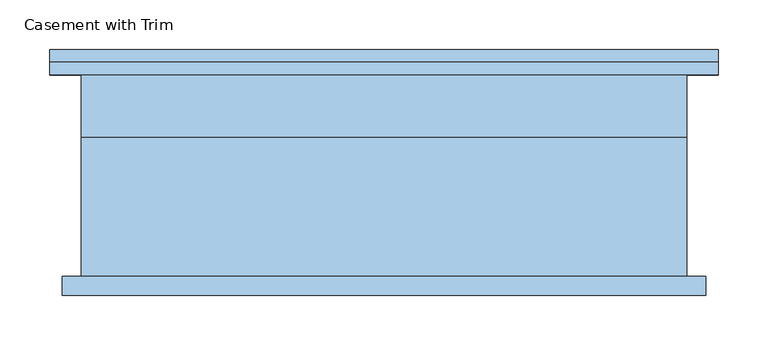
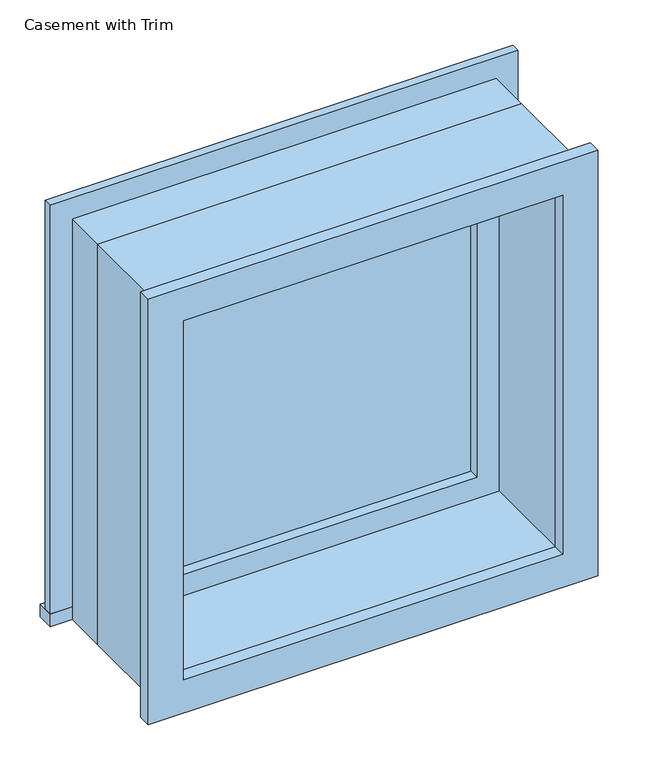
"""IFC4 building model written with IfcOpenShell, lengths in millimetres: window geometry, Casement with Trim."""

from ifc_helpers import new_model, si_unit, frame, origin, place, context, project, spatial, polyline, outline, extrude, source, transform, mapped, element, save


def casement_with_trim_3d989c10(model_context):
    return source(origin(), model_context, "Body", "SweptSolid", [
        extrude(outline(polyline([(-336.55, 127.0), (336.55, 127.0), (336.55, 101.6), (-336.55, 101.6), (-336.55, 127.0)])), frame((0.0, 0.0, 914.4), z_axis=(0.0, 0.0, 1.0), x_axis=(1.0, 0.0, 0.0)), (0.0, 0.0, 1.0), 19.05),
        extrude(outline(polyline([(1504.95, -285.75), (1504.95, 285.75), (933.45, 285.75), (933.45, 336.55), (1555.75, 336.55), (1555.75, -336.55), (933.45, -336.55), (933.45, -285.75), (1504.95, -285.75)])), frame((0.0, 101.6, 0.0), z_axis=(0.0, 1.0, 0.0), x_axis=(0.0, 0.0, 1.0)), (0.0, 0.0, 1.0), 12.7),
        extrude(outline(polyline([(1543.05, 323.85), (1543.05, -323.85), (895.35, -323.85), (895.35, 323.85), (1543.05, 323.85)]), holes=[polyline([(1492.25, 273.05), (946.15, 273.05), (946.15, -273.05), (1492.25, -273.05), (1492.25, 273.05)])]), frame((0.0, -120.65, 0.0), z_axis=(0.0, 1.0, 0.0), x_axis=(0.0, 0.0, 1.0)), (0.0, 0.0, 1.0), 19.05),
        extrude(outline(polyline([(241.3, 53.975), (-241.3, 53.975), (-241.3, 66.675), (241.3, 66.675), (241.3, 53.975)])), frame((0.0, 0.0, 977.9), z_axis=(0.0, 0.0, 1.0), x_axis=(1.0, 0.0, 0.0)), (0.0, 0.0, 1.0), 482.6),
        extrude(outline(polyline([(1504.95, -285.75), (933.45, -285.75), (933.45, 285.75), (1504.95, 285.75), (1504.95, -285.75)]), holes=[polyline([(1460.5, -241.3), (1460.5, 241.3), (977.9, 241.3), (977.9, -241.3), (1460.5, -241.3)])]), frame((0.0, 38.1, 0.0), z_axis=(0.0, 1.0, 0.0), x_axis=(0.0, 0.0, 1.0)), (0.0, 0.0, 1.0), 44.45),
        extrude(outline(polyline([(1524.0, -304.8), (914.4, -304.8), (914.4, 304.8), (1524.0, 304.8), (1524.0, -304.8)]), holes=[polyline([(1492.25, -273.05), (1492.25, 273.05), (946.15, 273.05), (946.15, -273.05), (1492.25, -273.05)])]), frame((0.0, -101.6, 0.0), z_axis=(0.0, 1.0, 0.0), x_axis=(0.0, 0.0, 1.0)), (0.0, 0.0, 1.0), 139.7),
        extrude(outline(polyline([(1524.0, 304.8), (1524.0, -304.8), (914.4, -304.8), (914.4, 304.8), (1524.0, 304.8)]), holes=[polyline([(1504.95, 285.75), (933.45, 285.75), (933.45, -285.75), (1504.95, -285.75), (1504.95, 285.75)])]), frame((0.0, 38.1, 0.0), z_axis=(0.0, 1.0, 0.0), x_axis=(0.0, 0.0, 1.0)), (0.0, 0.0, 1.0), 63.5),
    ])


if __name__ == "__main__":
    model = new_model("IFC4")
    model_context = context("Model", 3, world=origin())
    ifc_project = project(units=[si_unit("LENGTHUNIT", "METRE", prefix="MILLI")], contexts=[model_context])
    site = spatial("IfcSite", under=ifc_project)
    building = spatial("IfcBuilding", under=site)
    placement = place(None, origin())
    casement_with_trim_shape = casement_with_trim_3d989c10(model_context)
    element("IfcWindow", 1, ObjectType="Casement with Trim", at=placement, inside=building, context=model_context, shape_type="MappedRepresentation", body=[
        mapped(casement_with_trim_shape, transform((0.0, 0.0, 0.0), x_axis=(1.0, 0.0, 0.0), y_axis=(0.0, 1.0, 0.0), z_axis=(0.0, 0.0, 1.0))),
    ])
    save(model, "model.ifc")
